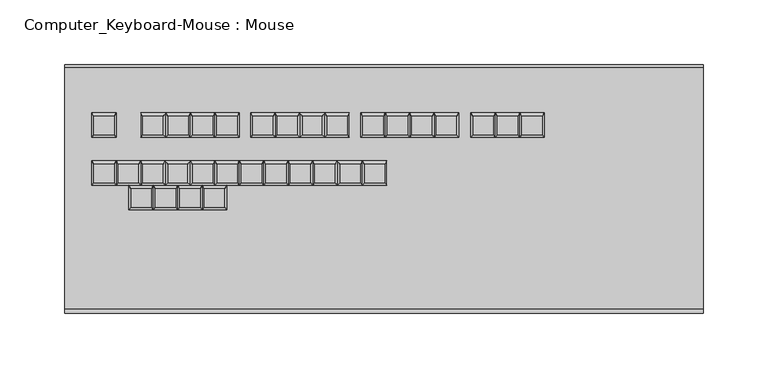
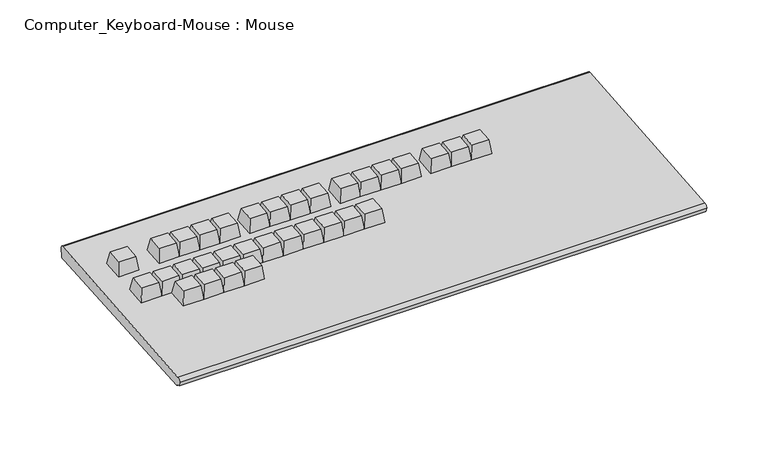
"""IFC4 building model written with IfcOpenShell, lengths in millimetres: proxy geometry, Computer_Keyboard-Mouse : Mouse."""

from ifc_helpers import new_model, si_unit, point, frame, frame_2d, origin, place, context, project, spatial, polyline, circle_curve, trimmed, segment, composite_curve, outline, extrude, faceted_brep, source, transform, mapped, element, save


def computer_keyboard_mouse_mouse_0322969a(model_context):
    return source(origin(), model_context, "Body", "SolidModel", [
        faceted_brep([(-237.6588941, -228.0568317, 652.48225), (-253.5338941, -228.0568317, 652.48225), (-253.5338941, -242.2899634, 651.2370124), (-237.6588941, -242.2899634, 651.2370124), (-236.0713941, -225.3684947, 639.9689371), (-236.0713941, -244.3460037, 638.3086202), (-255.1213941, -244.3460037, 638.3086202), (-255.1213941, -225.3684947, 639.9689371)], [[[0, 1, 2, 3]], [[4, 5, 6, 7]], [[4, 7, 1, 0]], [[7, 6, 2, 1]], [[6, 5, 3, 2]], [[5, 4, 0, 3]]]),
        faceted_brep([(-256.7088941, -228.0568317, 652.48225), (-272.5838941, -228.0568317, 652.48225), (-272.5838941, -242.2899634, 651.2370124), (-256.7088941, -242.2899634, 651.2370124), (-255.1213941, -225.3684947, 639.9689371), (-255.1213941, -244.3460037, 638.3086202), (-274.1713941, -244.3460037, 638.3086202), (-274.1713941, -225.3684947, 639.9689371)], [[[0, 1, 2, 3]], [[4, 5, 6, 7]], [[4, 7, 1, 0]], [[7, 6, 2, 1]], [[6, 5, 3, 2]], [[5, 4, 0, 3]]]),
        faceted_brep([(-275.7588941, -228.0568317, 652.48225), (-291.6338941, -228.0568317, 652.48225), (-291.6338941, -242.2899634, 651.2370124), (-275.7588941, -242.2899634, 651.2370124), (-274.1713941, -225.3684947, 639.9689371), (-274.1713941, -244.3460037, 638.3086202), (-293.2213941, -244.3460037, 638.3086202), (-293.2213941, -225.3684947, 639.9689371)], [[[0, 1, 2, 3]], [[4, 5, 6, 7]], [[4, 7, 1, 0]], [[7, 6, 2, 1]], [[6, 5, 3, 2]], [[5, 4, 0, 3]]]),
        faceted_brep([(-294.8088941, -228.0568317, 652.48225), (-310.6838941, -228.0568317, 652.48225), (-310.6838941, -242.2899634, 651.2370124), (-294.8088941, -242.2899634, 651.2370124), (-293.2213941, -225.3684947, 639.9689371), (-293.2213941, -244.3460037, 638.3086202), (-312.2713941, -244.3460037, 638.3086202), (-312.2713941, -225.3684947, 639.9689371)], [[[0, 1, 2, 3]], [[4, 5, 6, 7]], [[4, 7, 1, 0]], [[7, 6, 2, 1]], [[6, 5, 3, 2]], [[5, 4, 0, 3]]]),
        faceted_brep([(-113.8338941, -209.0793227, 654.1425669), (-129.7088941, -209.0793227, 654.1425669), (-129.7088941, -223.3124544, 652.8973293), (-113.8338941, -223.3124544, 652.8973293), (-112.2463941, -206.3909857, 641.629254), (-112.2463941, -225.3684947, 639.9689371), (-131.2963941, -225.3684947, 639.9689371), (-131.2963941, -206.3909857, 641.629254)], [[[0, 1, 2, 3]], [[4, 5, 6, 7]], [[4, 7, 1, 0]], [[7, 6, 2, 1]], [[6, 5, 3, 2]], [[5, 4, 0, 3]]]),
        faceted_brep([(-132.8838941, -209.0793227, 654.1425669), (-148.7588941, -209.0793227, 654.1425669), (-148.7588941, -223.3124544, 652.8973293), (-132.8838941, -223.3124544, 652.8973293), (-131.2963941, -206.3909857, 641.629254), (-131.2963941, -225.3684947, 639.9689371), (-150.3463941, -225.3684947, 639.9689371), (-150.3463941, -206.3909857, 641.629254)], [[[0, 1, 2, 3]], [[4, 5, 6, 7]], [[4, 7, 1, 0]], [[7, 6, 2, 1]], [[6, 5, 3, 2]], [[5, 4, 0, 3]]]),
        faceted_brep([(-151.9338941, -209.0793227, 654.1425669), (-167.8088941, -209.0793227, 654.1425669), (-167.8088941, -223.3124544, 652.8973293), (-151.9338941, -223.3124544, 652.8973293), (-150.3463941, -206.3909857, 641.629254), (-150.3463941, -225.3684947, 639.9689371), (-169.3963941, -225.3684947, 639.9689371), (-169.3963941, -206.3909857, 641.629254)], [[[0, 1, 2, 3]], [[4, 5, 6, 7]], [[4, 7, 1, 0]], [[7, 6, 2, 1]], [[6, 5, 3, 2]], [[5, 4, 0, 3]]]),
        faceted_brep([(-170.9838941, -209.0793227, 654.1425669), (-186.8588941, -209.0793227, 654.1425669), (-186.8588941, -223.3124544, 652.8973293), (-170.9838941, -223.3124544, 652.8973293), (-169.3963941, -206.3909857, 641.629254), (-169.3963941, -225.3684947, 639.9689371), (-188.4463941, -225.3684947, 639.9689371), (-188.4463941, -206.3909857, 641.629254)], [[[0, 1, 2, 3]], [[4, 5, 6, 7]], [[4, 7, 1, 0]], [[7, 6, 2, 1]], [[6, 5, 3, 2]], [[5, 4, 0, 3]]]),
        faceted_brep([(-190.0338941, -209.0793227, 654.1425669), (-205.9088941, -209.0793227, 654.1425669), (-205.9088941, -223.3124544, 652.8973293), (-190.0338941, -223.3124544, 652.8973293), (-188.4463941, -206.3909857, 641.629254), (-188.4463941, -225.3684947, 639.9689371), (-207.4963941, -225.3684947, 639.9689371), (-207.4963941, -206.3909857, 641.629254)], [[[0, 1, 2, 3]], [[4, 5, 6, 7]], [[4, 7, 1, 0]], [[7, 6, 2, 1]], [[6, 5, 3, 2]], [[5, 4, 0, 3]]]),
        faceted_brep([(-209.0838941, -209.0793227, 654.1425669), (-224.9588941, -209.0793227, 654.1425669), (-224.9588941, -223.3124544, 652.8973293), (-209.0838941, -223.3124544, 652.8973293), (-207.4963941, -206.3909857, 641.629254), (-207.4963941, -225.3684947, 639.9689371), (-226.5463941, -225.3684947, 639.9689371), (-226.5463941, -206.3909857, 641.629254)], [[[0, 1, 2, 3]], [[4, 5, 6, 7]], [[4, 7, 1, 0]], [[7, 6, 2, 1]], [[6, 5, 3, 2]], [[5, 4, 0, 3]]]),
        faceted_brep([(-228.1338941, -209.0793227, 654.1425669), (-244.0088941, -209.0793227, 654.1425669), (-244.0088941, -223.3124544, 652.8973293), (-228.1338941, -223.3124544, 652.8973293), (-226.5463941, -206.3909857, 641.629254), (-226.5463941, -225.3684947, 639.9689371), (-245.5963941, -225.3684947, 639.9689371), (-245.5963941, -206.3909857, 641.629254)], [[[0, 1, 2, 3]], [[4, 5, 6, 7]], [[4, 7, 1, 0]], [[7, 6, 2, 1]], [[6, 5, 3, 2]], [[5, 4, 0, 3]]]),
        faceted_brep([(-247.1838941, -209.0793227, 654.1425669), (-263.0588941, -209.0793227, 654.1425669), (-263.0588941, -223.3124544, 652.8973293), (-247.1838941, -223.3124544, 652.8973293), (-245.5963941, -206.3909857, 641.629254), (-245.5963941, -225.3684947, 639.9689371), (-264.6463941, -225.3684947, 639.9689371), (-264.6463941, -206.3909857, 641.629254)], [[[0, 1, 2, 3]], [[4, 5, 6, 7]], [[4, 7, 1, 0]], [[7, 6, 2, 1]], [[6, 5, 3, 2]], [[5, 4, 0, 3]]]),
        faceted_brep([(-266.2338941, -209.0793227, 654.1425669), (-282.1088941, -209.0793227, 654.1425669), (-282.1088941, -223.3124544, 652.8973293), (-266.2338941, -223.3124544, 652.8973293), (-264.6463941, -206.3909857, 641.629254), (-264.6463941, -225.3684947, 639.9689371), (-283.6963941, -225.3684947, 639.9689371), (-283.6963941, -206.3909857, 641.629254)], [[[0, 1, 2, 3]], [[4, 5, 6, 7]], [[4, 7, 1, 0]], [[7, 6, 2, 1]], [[6, 5, 3, 2]], [[5, 4, 0, 3]]]),
        faceted_brep([(-285.2838941, -209.0793227, 654.1425669), (-301.1588941, -209.0793227, 654.1425669), (-301.1588941, -223.3124544, 652.8973293), (-285.2838941, -223.3124544, 652.8973293), (-283.6963941, -206.3909857, 641.629254), (-283.6963941, -225.3684947, 639.9689371), (-302.7463941, -225.3684947, 639.9689371), (-302.7463941, -206.3909857, 641.629254)], [[[0, 1, 2, 3]], [[4, 5, 6, 7]], [[4, 7, 1, 0]], [[7, 6, 2, 1]], [[6, 5, 3, 2]], [[5, 4, 0, 3]]]),
        faceted_brep([(-304.3338941, -209.0793227, 654.1425669), (-320.2088941, -209.0793227, 654.1425669), (-320.2088941, -223.3124544, 652.8973293), (-304.3338941, -223.3124544, 652.8973293), (-302.7463941, -206.3909857, 641.629254), (-302.7463941, -225.3684947, 639.9689371), (-321.7963941, -225.3684947, 639.9689371), (-321.7963941, -206.3909857, 641.629254)], [[[0, 1, 2, 3]], [[4, 5, 6, 7]], [[4, 7, 1, 0]], [[7, 6, 2, 1]], [[6, 5, 3, 2]], [[5, 4, 0, 3]]]),
        faceted_brep([(-323.3838941, -209.0793227, 654.1425669), (-339.2588941, -209.0793227, 654.1425669), (-339.2588941, -223.3124544, 652.8973293), (-323.3838941, -223.3124544, 652.8973293), (-321.7963941, -206.3909857, 641.629254), (-321.7963941, -225.3684947, 639.9689371), (-340.8463941, -225.3684947, 639.9689371), (-340.8463941, -206.3909857, 641.629254)], [[[0, 1, 2, 3]], [[4, 5, 6, 7]], [[4, 7, 1, 0]], [[7, 6, 2, 1]], [[6, 5, 3, 2]], [[5, 4, 0, 3]]]),
        faceted_brep([(8.363719, -171.7828699, 657.4055837), (-7.511281, -171.7828699, 657.4055837), (-7.511281, -186.0160017, 656.1603461), (8.363719, -186.0160017, 656.1603461), (9.951219, -169.0945329, 644.8922708), (9.951219, -188.0720419, 643.2319539), (-9.098781, -188.0720419, 643.2319539), (-9.098781, -169.0945329, 644.8922708)], [[[0, 1, 2, 3]], [[4, 5, 6, 7]], [[4, 7, 1, 0]], [[7, 6, 2, 1]], [[6, 5, 3, 2]], [[5, 4, 0, 3]]]),
        faceted_brep([(-10.686281, -171.7828699, 657.4055837), (-26.561281, -171.7828699, 657.4055837), (-26.561281, -186.0160017, 656.1603461), (-10.686281, -186.0160017, 656.1603461), (-9.098781, -169.0945329, 644.8922708), (-9.098781, -188.0720419, 643.2319539), (-28.148781, -188.0720419, 643.2319539), (-28.148781, -169.0945329, 644.8922708)], [[[0, 1, 2, 3]], [[4, 5, 6, 7]], [[4, 7, 1, 0]], [[7, 6, 2, 1]], [[6, 5, 3, 2]], [[5, 4, 0, 3]]]),
        faceted_brep([(-29.736281, -171.7828699, 657.4055837), (-45.611281, -171.7828699, 657.4055837), (-45.611281, -186.0160017, 656.1603461), (-29.736281, -186.0160017, 656.1603461), (-28.148781, -169.0945329, 644.8922708), (-28.148781, -188.0720419, 643.2319539), (-47.198781, -188.0720419, 643.2319539), (-47.198781, -169.0945329, 644.8922708)], [[[0, 1, 2, 3]], [[4, 5, 6, 7]], [[4, 7, 1, 0]], [[7, 6, 2, 1]], [[6, 5, 3, 2]], [[5, 4, 0, 3]]]),
        faceted_brep([(-57.7576686, -171.7828699, 657.4055837), (-73.6326686, -171.7828699, 657.4055837), (-73.6326686, -186.0160017, 656.1603461), (-57.7576686, -186.0160017, 656.1603461), (-56.1701686, -169.0945329, 644.8922708), (-56.1701686, -188.0720419, 643.2319539), (-75.2201686, -188.0720419, 643.2319539), (-75.2201686, -169.0945329, 644.8922708)], [[[0, 1, 2, 3]], [[4, 5, 6, 7]], [[4, 7, 1, 0]], [[7, 6, 2, 1]], [[6, 5, 3, 2]], [[5, 4, 0, 3]]]),
        faceted_brep([(-76.8076686, -171.7828699, 657.4055837), (-92.6826686, -171.7828699, 657.4055837), (-92.6826686, -186.0160017, 656.1603461), (-76.8076686, -186.0160017, 656.1603461), (-75.2201686, -169.0945329, 644.8922708), (-75.2201686, -188.0720419, 643.2319539), (-94.2701686, -188.0720419, 643.2319539), (-94.2701686, -169.0945329, 644.8922708)], [[[0, 1, 2, 3]], [[4, 5, 6, 7]], [[4, 7, 1, 0]], [[7, 6, 2, 1]], [[6, 5, 3, 2]], [[5, 4, 0, 3]]]),
        faceted_brep([(-95.8576686, -171.7828699, 657.4055837), (-111.7326686, -171.7828699, 657.4055837), (-111.7326686, -186.0160017, 656.1603461), (-95.8576686, -186.0160017, 656.1603461), (-94.2701686, -169.0945329, 644.8922708), (-94.2701686, -188.0720419, 643.2319539), (-113.3201686, -188.0720419, 643.2319539), (-113.3201686, -169.0945329, 644.8922708)], [[[0, 1, 2, 3]], [[4, 5, 6, 7]], [[4, 7, 1, 0]], [[7, 6, 2, 1]], [[6, 5, 3, 2]], [[5, 4, 0, 3]]]),
        faceted_brep([(-114.9076686, -171.7828699, 657.4055837), (-130.7826686, -171.7828699, 657.4055837), (-130.7826686, -186.0160017, 656.1603461), (-114.9076686, -186.0160017, 656.1603461), (-113.3201686, -169.0945329, 644.8922708), (-113.3201686, -188.0720419, 643.2319539), (-132.3701686, -188.0720419, 643.2319539), (-132.3701686, -169.0945329, 644.8922708)], [[[0, 1, 2, 3]], [[4, 5, 6, 7]], [[4, 7, 1, 0]], [[7, 6, 2, 1]], [[6, 5, 3, 2]], [[5, 4, 0, 3]]]),
        faceted_brep([(-142.9290561, -171.7828699, 657.4055837), (-158.8040561, -171.7828699, 657.4055837), (-158.8040561, -186.0160017, 656.1603461), (-142.9290561, -186.0160017, 656.1603461), (-141.3415561, -169.0945329, 644.8922708), (-141.3415561, -188.0720419, 643.2319539), (-160.3915561, -188.0720419, 643.2319539), (-160.3915561, -169.0945329, 644.8922708)], [[[0, 1, 2, 3]], [[4, 5, 6, 7]], [[4, 7, 1, 0]], [[7, 6, 2, 1]], [[6, 5, 3, 2]], [[5, 4, 0, 3]]]),
        faceted_brep([(-161.9790561, -171.7828699, 657.4055837), (-177.8540561, -171.7828699, 657.4055837), (-177.8540561, -186.0160017, 656.1603461), (-161.9790561, -186.0160017, 656.1603461), (-160.3915561, -169.0945329, 644.8922708), (-160.3915561, -188.0720419, 643.2319539), (-179.4415561, -188.0720419, 643.2319539), (-179.4415561, -169.0945329, 644.8922708)], [[[0, 1, 2, 3]], [[4, 5, 6, 7]], [[4, 7, 1, 0]], [[7, 6, 2, 1]], [[6, 5, 3, 2]], [[5, 4, 0, 3]]]),
        faceted_brep([(-181.0290561, -171.7828699, 657.4055837), (-196.9040561, -171.7828699, 657.4055837), (-196.9040561, -186.0160017, 656.1603461), (-181.0290561, -186.0160017, 656.1603461), (-179.4415561, -169.0945329, 644.8922708), (-179.4415561, -188.0720419, 643.2319539), (-198.4915561, -188.0720419, 643.2319539), (-198.4915561, -169.0945329, 644.8922708)], [[[0, 1, 2, 3]], [[4, 5, 6, 7]], [[4, 7, 1, 0]], [[7, 6, 2, 1]], [[6, 5, 3, 2]], [[5, 4, 0, 3]]]),
        faceted_brep([(-200.0790561, -171.7828699, 657.4055837), (-215.9540561, -171.7828699, 657.4055837), (-215.9540561, -186.0160017, 656.1603461), (-200.0790561, -186.0160017, 656.1603461), (-198.4915561, -169.0945329, 644.8922708), (-198.4915561, -188.0720419, 643.2319539), (-217.5415561, -188.0720419, 643.2319539), (-217.5415561, -169.0945329, 644.8922708)], [[[0, 1, 2, 3]], [[4, 5, 6, 7]], [[4, 7, 1, 0]], [[7, 6, 2, 1]], [[6, 5, 3, 2]], [[5, 4, 0, 3]]]),
        faceted_brep([(-228.1004437, -171.7828699, 657.4055837), (-243.9754437, -171.7828699, 657.4055837), (-243.9754437, -186.0160017, 656.1603461), (-228.1004437, -186.0160017, 656.1603461), (-226.5129437, -169.0945329, 644.8922708), (-226.5129437, -188.0720419, 643.2319539), (-245.5629437, -188.0720419, 643.2319539), (-245.5629437, -169.0945329, 644.8922708)], [[[0, 1, 2, 3]], [[4, 5, 6, 7]], [[4, 7, 1, 0]], [[7, 6, 2, 1]], [[6, 5, 3, 2]], [[5, 4, 0, 3]]]),
        faceted_brep([(-247.1504437, -171.7828699, 657.4055837), (-263.0254437, -171.7828699, 657.4055837), (-263.0254437, -186.0160017, 656.1603461), (-247.1504437, -186.0160017, 656.1603461), (-245.5629437, -169.0945329, 644.8922708), (-245.5629437, -188.0720419, 643.2319539), (-264.6129437, -188.0720419, 643.2319539), (-264.6129437, -169.0945329, 644.8922708)], [[[0, 1, 2, 3]], [[4, 5, 6, 7]], [[4, 7, 1, 0]], [[7, 6, 2, 1]], [[6, 5, 3, 2]], [[5, 4, 0, 3]]]),
        faceted_brep([(-266.2004437, -171.7828699, 657.4055837), (-282.0754437, -171.7828699, 657.4055837), (-282.0754437, -186.0160017, 656.1603461), (-266.2004437, -186.0160017, 656.1603461), (-264.6129437, -169.0945329, 644.8922708), (-264.6129437, -188.0720419, 643.2319539), (-283.6629437, -188.0720419, 643.2319539), (-283.6629437, -169.0945329, 644.8922708)], [[[0, 1, 2, 3]], [[4, 5, 6, 7]], [[4, 7, 1, 0]], [[7, 6, 2, 1]], [[6, 5, 3, 2]], [[5, 4, 0, 3]]]),
        faceted_brep([(-285.2504437, -171.7828699, 657.4055837), (-301.1254437, -171.7828699, 657.4055837), (-301.1254437, -186.0160017, 656.1603461), (-285.2504437, -186.0160017, 656.1603461), (-283.6629437, -169.0945329, 644.8922708), (-283.6629437, -188.0720419, 643.2319539), (-302.7129437, -188.0720419, 643.2319539), (-302.7129437, -169.0945329, 644.8922708)], [[[0, 1, 2, 3]], [[4, 5, 6, 7]], [[4, 7, 1, 0]], [[7, 6, 2, 1]], [[6, 5, 3, 2]], [[5, 4, 0, 3]]]),
        faceted_brep([(-323.3504437, -171.7828699, 657.4055837), (-339.2254437, -171.7828699, 657.4055837), (-339.2254437, -186.0160017, 656.1603461), (-323.3504437, -186.0160017, 656.1603461), (-321.7629437, -169.0945329, 644.8922708), (-321.7629437, -188.0720419, 643.2319539), (-340.8129437, -188.0720419, 643.2319539), (-340.8129437, -169.0945329, 644.8922708)], [[[0, 1, 2, 3]], [[4, 5, 6, 7]], [[4, 7, 1, 0]], [[7, 6, 2, 1]], [[6, 5, 3, 2]], [[5, 4, 0, 3]]]),
        extrude(outline(composite_curve([segment(polyline([(-321.3848268, 631.5685965), (-133.9760922, 647.9647362)]), True, "CONTINUOUS"), segment(trimmed(circle_curve(frame_2d((-133.9760922, 645.7073629)), 2.2573734), [point((-133.9760922, 647.9647362))], [point((-131.7187189, 645.7073629))], False, "CARTESIAN"), True, "CONTINUOUS"), segment(polyline([(-131.7187189, 645.7073629), (-132.1212468, 636.6050263)]), True, "CONTINUOUS"), segment(trimmed(circle_curve(frame_2d((-136.670759, 642.8668925)), 7.7400923), [point((-132.1212468, 636.6050263))], [point((-136.1308374, 635.1456546))], False, "CARTESIAN"), True, "CONTINUOUS"), segment(polyline([(-136.1308374, 635.1456546), (-319.8322573, 622.3), (-321.8742848, 624.3420275), (-323.3070158, 624.3420275), (-324.4279632, 628.5254602)]), True, "CONTINUOUS"), segment(trimmed(circle_curve(frame_2d((-321.3848268, 628.5254602)), 3.0431363), [point((-324.4279632, 628.5254602))], [point((-321.3848268, 631.5685965))], False, "CARTESIAN"), True, "CONTINUOUS")], self_intersect=False)), frame((-361.95, 0.0, 0.0), z_axis=(1.0, 0.0, 0.0), x_axis=(0.0, 1.0, 0.0)), (0.0, 0.0, 1.0), 495.3),
    ])


if __name__ == "__main__":
    model = new_model("IFC4")
    model_context = context("Model", 3, world=origin())
    ifc_project = project(units=[si_unit("LENGTHUNIT", "METRE", prefix="MILLI")], contexts=[model_context])
    site = spatial("IfcSite", under=ifc_project)
    building = spatial("IfcBuilding", under=site)
    placement = place(None, origin())
    computer_keyboard_mouse_mouse_shape = computer_keyboard_mouse_mouse_0322969a(model_context)
    element("IfcBuildingElementProxy", 1, Name="Computer_Keyboard-Mouse : Mouse", ObjectType="Computer_Keyboard-Mouse : Mouse", at=placement, inside=building, context=model_context, shape_type="MappedRepresentation", body=[
        mapped(computer_keyboard_mouse_mouse_shape, transform((0.0, 0.0, 0.0), x_axis=(1.0, 0.0, 0.0), y_axis=(0.0, 1.0, 0.0), z_axis=(0.0, 0.0, 1.0))),
    ])
    save(model, "model.ifc")
